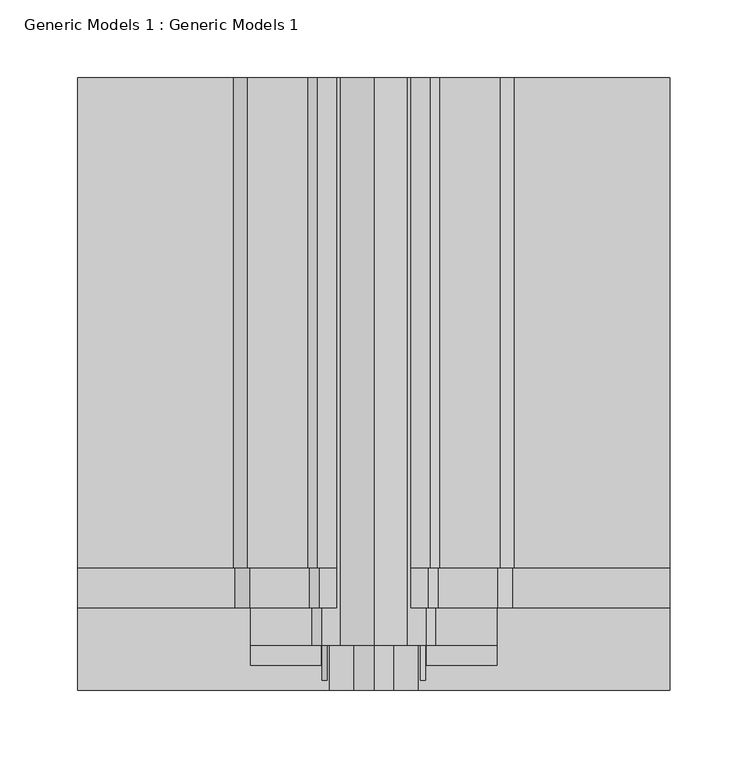
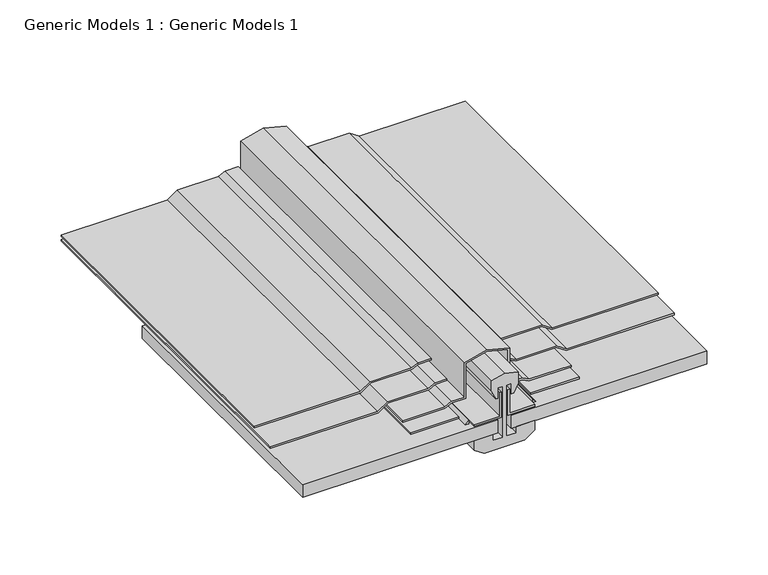
"""IFC4 building model written with IfcOpenShell, lengths in millimetres: proxy geometry, Generic Models 1 : Generic Models 1."""

from ifc_helpers import new_model, si_unit, frame, origin, place, context, project, spatial, polyline, outline, extrude, source, transform, mapped, element, save


def generic_models_1_generic_models_1_82ef7ff3(model_context):
    return source(origin(), model_context, "Body", "SweptSolid", [
        extrude(outline(polyline([(180.975, 40.4265736), (180.975, 52.3875), (182.5625, 52.3875), (182.5625, 40.0518156), (179.3875, 33.7018156), (179.3875, -4.8572971), (173.0375, -14.3822971), (173.0375, -114.3), (171.45, -114.3), (171.45, -13.9016408), (177.8, -4.3766408), (177.8, 34.0765736), (180.975, 40.4265736)])), frame((0.0, 78.7644451, 0.0), z_axis=(0.0, 1.0, 0.0), x_axis=(0.0, 0.0, 1.0)), (0.0, 0.0, 1.0), 315.0824938),
        extrude(outline(polyline([(176.2125, 41.5508473), (176.2125, 52.3875), (177.8, 52.3875), (177.8, 41.1760894), (174.625, 34.8260894), (174.625, -3.4153282), (168.275, -12.9403282), (168.275, -114.3), (166.6875, -114.3), (166.6875, -12.4596718), (173.0375, -2.9346718), (173.0375, 35.2008473), (176.2125, 41.5508473)])), frame((0.0, 52.9419406, 0.0), z_axis=(0.0, 1.0, 0.0), x_axis=(0.0, 0.0, 1.0)), (0.0, 0.0, 1.0), 340.9049984),
        extrude(outline(polyline([(-3.175, 393.8469389), (42.1679687, 393.8469389), (42.1679688, 15.9368759), (-3.175, 15.9368759), (-3.175, 393.8469389)])), frame((0.0, 0.0, 164.30625), z_axis=(0.0, 0.0, 1.0), x_axis=(1.0, 0.0, 0.0)), (0.0, 0.0, 1.0), 1.5875),
        extrude(outline(polyline([(180.975, 111.9734264), (177.8, 118.3234264), (177.8, 156.7766408), (171.45, 166.3016408), (171.45, 266.7), (173.0375, 266.7), (173.0375, 166.7822971), (179.3875, 157.2572971), (179.3875, 118.6981844), (182.5625, 112.3481844), (182.5625, 100.0125), (180.975, 100.0125), (180.975, 111.9734264)])), frame((0.0, 78.7644451, 0.0), z_axis=(0.0, 1.0, 0.0), x_axis=(0.0, 0.0, 1.0)), (0.0, 0.0, 1.0), 315.0824938),
        extrude(outline(polyline([(168.275, 155.575), (169.8625, 155.575), (169.8625, 116.074879), (173.0375, 109.724879), (173.0375, 97.63125), (207.5381889, 97.63125), (212.8960014, 76.2), (207.5381889, 54.76875), (173.0375, 54.76875), (173.0375, 42.675121), (169.8625, 36.325121), (169.8625, -3.175), (168.275, -3.175), (168.275, 36.699879), (171.45, 43.049879), (171.45, 56.35625), (206.2987064, 56.35625), (211.2596439, 76.2), (206.2987064, 96.04375), (171.45, 96.04375), (171.45, 109.350121), (168.275, 115.700121), (168.275, 155.575)])), frame((0.0, 29.0080118, 0.0), z_axis=(0.0, 1.0, 0.0), x_axis=(0.0, 0.0, 1.0)), (0.0, 0.0, 1.0), 364.8389271),
        extrude(outline(polyline([(166.6720267, 46.0867724), (163.5125, 42.9272457), (163.5125, 46.0867724), (166.6720267, 46.0867724)])), frame((0.0, 6.4857588, 0.0), z_axis=(0.0, 1.0, 0.0), x_axis=(0.0, 0.0, 1.0)), (0.0, 0.0, 1.0), 387.3611802),
        extrude(outline(polyline([(165.89375, 71.4375), (165.89375, 47.625), (164.30625, 47.625), (164.30625, 73.025), (189.70625, 73.025), (189.70625, 71.4375), (165.89375, 71.4375)])), frame((0.0, 0.0, 0.0), z_axis=(0.0, 1.0, 0.0), x_axis=(0.0, 0.0, 1.0)), (0.0, 0.0, 1.0), 261.3017557),
        extrude(outline(polyline([(165.89375, 80.9625), (189.70625, 80.9625), (189.70625, 79.375), (164.30625, 79.375), (164.30625, 104.775), (165.89375, 104.775), (165.89375, 80.9625)])), frame((0.0, 0.0, 0.0), z_axis=(0.0, 1.0, 0.0), x_axis=(0.0, 0.0, 1.0)), (0.0, 0.0, 1.0), 261.3017557),
        extrude(outline(polyline([(-114.3, 261.3017557), (69.85, 261.3017557), (69.85, 0.0), (-114.3, 0.0), (-114.3, 261.3017557)])), frame((0.0, 0.0, 150.01875), z_axis=(0.0, 0.0, 1.0), x_axis=(1.0, 0.0, 0.0)), (0.0, 0.0, 1.0), 12.7),
        extrude(outline(polyline([(143.9556041, 65.0875), (150.01875, 65.0875), (150.01875, 47.625), (140.49375, 47.625), (134.14375, 57.15), (134.14375, 95.25), (140.49375, 104.775), (150.01875, 104.775), (150.01875, 87.3125), (143.9556041, 87.3125), (143.9556041, 77.7875), (194.7556041, 77.7875), (194.7556041, 82.4488295), (184.467103, 82.4488295), (184.467103, 84.6425805), (193.326646, 88.9), (203.99375, 88.9), (207.16875, 76.2), (203.99375, 63.5), (193.326646, 63.5), (184.467103, 67.7574195), (184.467103, 69.9511705), (194.7556041, 69.9511705), (194.7556041, 74.6125), (143.9556041, 74.6125), (143.9556041, 65.0875)])), frame((0.0, 0.0, 0.0), z_axis=(0.0, 1.0, 0.0), x_axis=(0.0, 0.0, 1.0)), (0.0, 0.0, 1.0), 261.3017557),
        extrude(outline(polyline([(82.55, 261.3017557), (266.7, 261.3017557), (266.7, 0.0), (82.55, 0.0), (82.55, 261.3017557)])), frame((0.0, 0.0, 150.01875), z_axis=(0.0, 0.0, 1.0), x_axis=(1.0, 0.0, 0.0)), (0.0, 0.0, 1.0), 12.7),
        extrude(outline(polyline([(176.2125, 110.8491527), (173.0375, 117.1991527), (173.0375, 155.3346718), (166.6875, 164.8596718), (166.6875, 266.7), (168.275, 266.7), (168.275, 165.3403282), (174.625, 155.8153282), (174.625, 117.5739106), (177.8, 111.2239106), (177.8, 100.0125), (176.2125, 100.0125), (176.2125, 110.8491527)])), frame((0.0, 52.9419406, 0.0), z_axis=(0.0, 1.0, 0.0), x_axis=(0.0, 0.0, 1.0)), (0.0, 0.0, 1.0), 340.9049984),
        extrude(outline(polyline([(110.2320313, 393.8469389), (155.575, 393.8469389), (155.575, 15.9368759), (110.2320313, 15.9368759), (110.2320313, 393.8469389)])), frame((0.0, 0.0, 164.30625), z_axis=(0.0, 0.0, 1.0), x_axis=(1.0, 0.0, 0.0)), (0.0, 0.0, 1.0), 1.5875),
        extrude(outline(polyline([(166.6720267, 106.3132276), (163.5125, 106.3132276), (163.5125, 109.4727543), (166.6720267, 106.3132276)])), frame((0.0, 6.4857588, 0.0), z_axis=(0.0, 1.0, 0.0), x_axis=(0.0, 0.0, 1.0)), (0.0, 0.0, 1.0), 387.3611802),
    ])


if __name__ == "__main__":
    model = new_model("IFC4")
    model_context = context("Model", 3, world=origin())
    ifc_project = project(units=[si_unit("LENGTHUNIT", "METRE", prefix="MILLI")], contexts=[model_context])
    site = spatial("IfcSite", under=ifc_project)
    building = spatial("IfcBuilding", under=site)
    placement = place(None, origin())
    generic_models_1_generic_models_1_shape = generic_models_1_generic_models_1_82ef7ff3(model_context)
    element("IfcBuildingElementProxy", 1, Name="Generic Models 1 : Generic Models 1", ObjectType="Generic Models 1 : Generic Models 1", at=placement, inside=building, context=model_context, shape_type="MappedRepresentation", body=[
        mapped(generic_models_1_generic_models_1_shape, transform((0.0, 0.0, 0.0), x_axis=(1.0, 0.0, 0.0), y_axis=(0.0, 1.0, 0.0), z_axis=(0.0, 0.0, 1.0))),
    ])
    save(model, "model.ifc")
